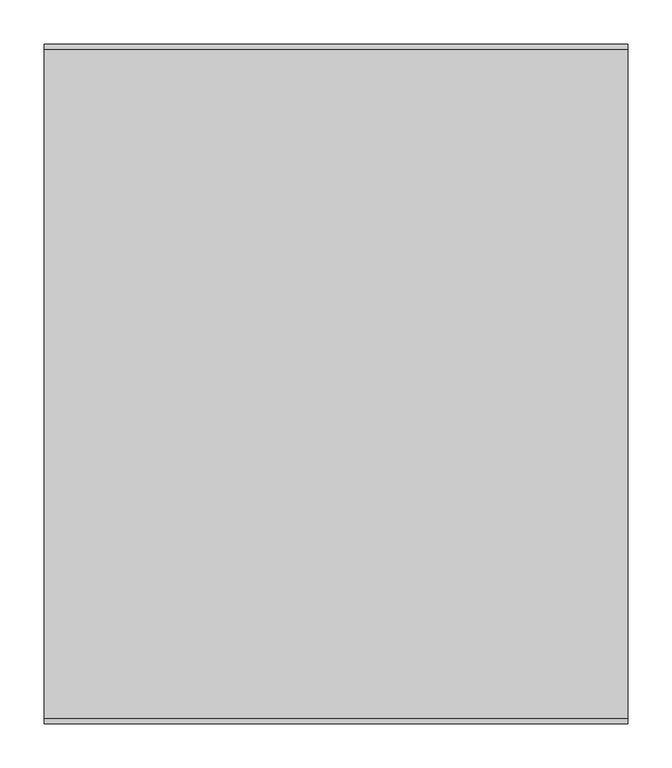
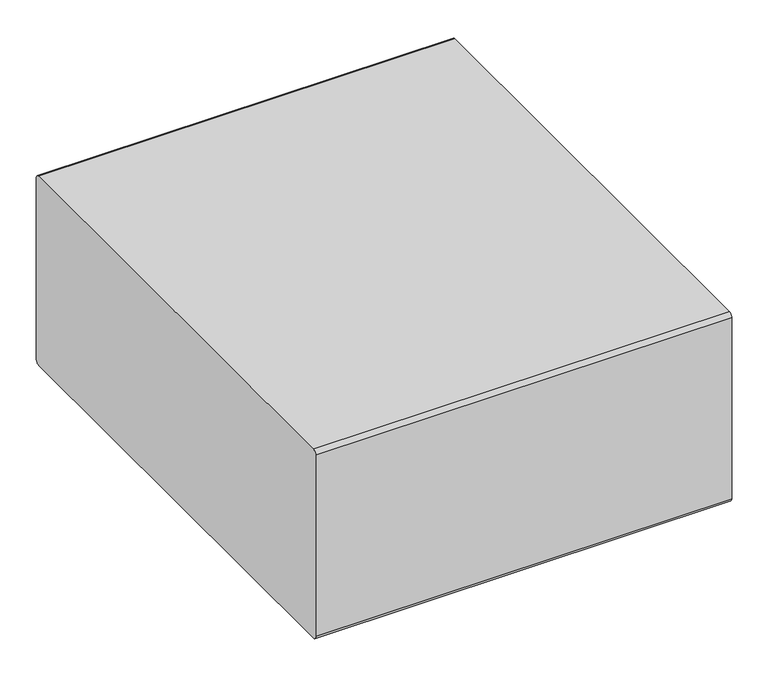
"""IFC4 building model written with IfcOpenShell, lengths in millimetres: furniture geometry."""

from ifc_helpers import new_model, si_unit, point, frame, frame_2d, origin, place, context, project, spatial, polyline, circle_curve, trimmed, segment, composite_curve, outline, extrude, faceted_brep, source, transform, mapped, element, save


def furniture_84e46e56(model_context):
    return source(origin(), model_context, "Body", "SolidModel", [
        faceted_brep([(769.087495, 327.8342493, 25.4000008), (765.912489, 324.6592432, 25.4000008), (765.912489, 280.2092311, 25.4000008), (769.087495, 277.0342432, 25.4000008), (813.537489, 277.0342432, 25.4000008), (816.712495, 280.2092311, 25.4000008), (816.712495, 324.6592432, 25.4000008), (813.537489, 327.8342493, 25.4000008), (816.712495, 331.0092372, 0.0), (819.8874829, 327.8342493, 0.0), (819.8874829, 277.0342432, 0.0), (816.712495, 273.8592553, 0.0), (765.912489, 273.8592553, 0.0), (762.7374829, 277.0342432, 0.0), (762.7374829, 327.8342493, 0.0), (765.912489, 331.0092372, 0.0), (769.087495, 327.8342493, 3.1750001), (765.912489, 324.6592432, 3.1750001), (765.912489, 280.2092311, 3.1750001), (769.087495, 277.0342432, 3.1750001), (813.537489, 277.0342432, 3.1750001), (816.712495, 280.2092311, 3.1750001), (816.712495, 324.6592432, 3.1750001), (813.537489, 327.8342493, 3.1750001), (816.712495, 331.0092372, 3.1750001), (765.912489, 331.0092372, 3.1750001), (762.7374829, 327.8342493, 3.1750001), (762.7374829, 277.0342432, 3.1750001), (765.912489, 273.8592553, 3.1750001), (816.712495, 273.8592553, 3.1750001), (819.8874829, 277.0342432, 3.1750001), (819.8874829, 327.8342493, 3.1750001)], [[[0, 1, 2, 3, 4, 5, 6, 7]], [[8, 9, 10, 11, 12, 13, 14, 15]], [[1, 0, 16, 17]], [[2, 1, 17, 18]], [[3, 2, 18, 19]], [[4, 3, 19, 20]], [[5, 4, 20, 21]], [[6, 5, 21, 22]], [[7, 6, 22, 23]], [[0, 7, 23, 16]], [[24, 25, 26, 27, 28, 29, 30, 31], [17, 16, 23, 22, 21, 20, 19, 18]], [[25, 24, 8, 15]], [[26, 25, 15, 14]], [[27, 26, 14, 13]], [[28, 27, 13, 12]], [[29, 28, 12, 11]], [[30, 29, 11, 10]], [[31, 30, 10, 9]], [[24, 31, 9, 8]]]),
        faceted_brep([(261.087489, 327.8342493, 25.4000008), (257.9124829, 324.6592432, 25.4000008), (257.9124829, 280.2092311, 25.4000008), (261.087489, 277.0342432, 25.4000008), (305.5374829, 277.0342432, 25.4000008), (308.712489, 280.2092311, 25.4000008), (308.712489, 324.6592432, 25.4000008), (305.5374829, 327.8342493, 25.4000008), (308.712489, 331.0092372, 0.0), (311.8874769, 327.8342493, 0.0), (311.8874769, 277.0342432, 0.0), (308.712489, 273.8592553, 0.0), (257.9124829, 273.8592553, 0.0), (254.7374769, 277.0342432, 0.0), (254.7374769, 327.8342493, 0.0), (257.9124829, 331.0092372, 0.0), (261.087489, 327.8342493, 3.1750001), (257.9124829, 324.6592432, 3.1750001), (257.9124829, 280.2092311, 3.1750001), (261.087489, 277.0342432, 3.1750001), (305.5374829, 277.0342432, 3.1750001), (308.712489, 280.2092311, 3.1750001), (308.712489, 324.6592432, 3.1750001), (305.5374829, 327.8342493, 3.1750001), (308.712489, 331.0092372, 3.1750001), (257.9124829, 331.0092372, 3.1750001), (254.7374769, 327.8342493, 3.1750001), (254.7374769, 277.0342432, 3.1750001), (257.9124829, 273.8592553, 3.1750001), (308.712489, 273.8592553, 3.1750001), (311.8874769, 277.0342432, 3.1750001), (311.8874769, 327.8342493, 3.1750001)], [[[0, 1, 2, 3, 4, 5, 6, 7]], [[8, 9, 10, 11, 12, 13, 14, 15]], [[1, 0, 16, 17]], [[2, 1, 17, 18]], [[3, 2, 18, 19]], [[4, 3, 19, 20]], [[5, 4, 20, 21]], [[6, 5, 21, 22]], [[7, 6, 22, 23]], [[0, 7, 23, 16]], [[24, 25, 26, 27, 28, 29, 30, 31], [17, 16, 23, 22, 21, 20, 19, 18]], [[25, 24, 8, 15]], [[26, 25, 15, 14]], [[27, 26, 14, 13]], [[28, 27, 13, 12]], [[29, 28, 12, 11]], [[30, 29, 11, 10]], [[31, 30, 10, 9]], [[24, 31, 9, 8]]]),
        faceted_brep([(308.712489, -284.9407568, 3.1750001), (257.9124829, -284.9407568, 3.1750001), (254.7374769, -288.1157447, 3.1750001), (254.7374769, -338.9157507, 3.1750001), (257.9124829, -342.0907386, 3.1750001), (308.712489, -342.0907386, 3.1750001), (311.8874769, -338.9157507, 3.1750001), (311.8874769, -288.1157447, 3.1750001), (257.9124829, -291.2907507, 3.1750001), (261.087489, -288.1157447, 3.1750001), (305.5374829, -288.1157447, 3.1750001), (308.712489, -291.2907507, 3.1750001), (308.712489, -335.7407628, 3.1750001), (305.5374829, -338.9157507, 3.1750001), (261.087489, -338.9157507, 3.1750001), (257.9124829, -335.7407628, 3.1750001), (308.712489, -284.9407568, 0.0), (311.8874769, -288.1157447, 0.0), (311.8874769, -338.9157507, 0.0), (308.712489, -342.0907386, 0.0), (257.9124829, -342.0907386, 0.0), (254.7374769, -338.9157507, 0.0), (254.7374769, -288.1157447, 0.0), (257.9124829, -284.9407568, 0.0), (261.087489, -288.1157447, 25.4000008), (257.9124829, -291.2907507, 25.4000008), (257.9124829, -335.7407628, 25.4000008), (261.087489, -338.9157507, 25.4000008), (305.5374829, -338.9157507, 25.4000008), (308.712489, -335.7407628, 25.4000008), (308.712489, -291.2907507, 25.4000008), (305.5374829, -288.1157447, 25.4000008)], [[[0, 1, 2, 3, 4, 5, 6, 7], [8, 9, 10, 11, 12, 13, 14, 15]], [[16, 17, 18, 19, 20, 21, 22, 23]], [[1, 0, 16, 23]], [[2, 1, 23, 22]], [[3, 2, 22, 21]], [[4, 3, 21, 20]], [[5, 4, 20, 19]], [[6, 5, 19, 18]], [[7, 6, 18, 17]], [[0, 7, 17, 16]], [[24, 25, 26, 27, 28, 29, 30, 31]], [[25, 24, 9, 8]], [[26, 25, 8, 15]], [[27, 26, 15, 14]], [[28, 27, 14, 13]], [[29, 28, 13, 12]], [[30, 29, 12, 11]], [[31, 30, 11, 10]], [[24, 31, 10, 9]]]),
        faceted_brep([(769.087495, -288.1157447, 25.4000008), (765.912489, -291.2907507, 25.4000008), (765.912489, -335.7407628, 25.4000008), (769.087495, -338.9157507, 25.4000008), (813.537489, -338.9157507, 25.4000008), (816.712495, -335.7407628, 25.4000008), (816.712495, -291.2907507, 25.4000008), (813.537489, -288.1157447, 25.4000008), (816.712495, -284.9407568, 0.0), (819.8874829, -288.1157447, 0.0), (819.8874829, -338.9157507, 0.0), (816.712495, -342.0907386, 0.0), (765.912489, -342.0907386, 0.0), (762.7374829, -338.9157507, 0.0), (762.7374829, -288.1157447, 0.0), (765.912489, -284.9407568, 0.0), (769.087495, -288.1157447, 3.1750001), (765.912489, -291.2907507, 3.1750001), (765.912489, -335.7407628, 3.1750001), (769.087495, -338.9157507, 3.1750001), (813.537489, -338.9157507, 3.1750001), (816.712495, -335.7407628, 3.1750001), (816.712495, -291.2907507, 3.1750001), (813.537489, -288.1157447, 3.1750001), (816.712495, -284.9407568, 3.1750001), (765.912489, -284.9407568, 3.1750001), (762.7374829, -288.1157447, 3.1750001), (762.7374829, -338.9157507, 3.1750001), (765.912489, -342.0907386, 3.1750001), (816.712495, -342.0907386, 3.1750001), (819.8874829, -338.9157507, 3.1750001), (819.8874829, -288.1157447, 3.1750001)], [[[0, 1, 2, 3, 4, 5, 6, 7]], [[8, 9, 10, 11, 12, 13, 14, 15]], [[1, 0, 16, 17]], [[2, 1, 17, 18]], [[3, 2, 18, 19]], [[4, 3, 19, 20]], [[5, 4, 20, 21]], [[6, 5, 21, 22]], [[7, 6, 22, 23]], [[0, 7, 23, 16]], [[24, 25, 26, 27, 28, 29, 30, 31], [17, 16, 23, 22, 21, 20, 19, 18]], [[25, 24, 8, 15]], [[26, 25, 15, 14]], [[27, 26, 14, 13]], [[28, 27, 13, 12]], [[29, 28, 12, 11]], [[30, 29, 11, 10]], [[31, 30, 10, 9]], [[24, 31, 9, 8]]]),
        extrude(outline(composite_curve([segment(trimmed(circle_curve(frame_2d((373.7950592, 336.55)), 6.35), [point((373.7950592, 342.9))], [point((380.1450592, 336.55))], False, "CARTESIAN"), True, "CONTINUOUS"), segment(polyline([(380.1450592, 336.55), (380.1450592, 31.7500008)]), True, "CONTINUOUS"), segment(trimmed(circle_curve(frame_2d((373.7950592, 31.7500008)), 6.35), [point((380.1450592, 31.7500008))], [point((373.7950592, 25.4000008))], False, "CARTESIAN"), True, "CONTINUOUS"), segment(polyline([(373.7950592, 25.4000008), (-381.8549408, 25.4000008)]), True, "CONTINUOUS"), segment(trimmed(circle_curve(frame_2d((-381.8549408, 31.7500008)), 6.35), [point((-381.8549408, 25.4000008))], [point((-388.2049408, 31.7500008))], False, "CARTESIAN"), True, "CONTINUOUS"), segment(polyline([(-388.2049408, 31.7500008), (-388.2049408, 336.55)]), True, "CONTINUOUS"), segment(trimmed(circle_curve(frame_2d((-381.8549408, 336.55)), 6.35), [point((-388.2049408, 336.55))], [point((-381.8549408, 342.9))], False, "CARTESIAN"), True, "CONTINUOUS"), segment(polyline([(-381.8549408, 342.9), (373.7950592, 342.9)]), True, "CONTINUOUS")], self_intersect=False)), frame((206.375, 0.0, 0.0), z_axis=(1.0, 0.0, 0.0), x_axis=(0.0, 1.0, 0.0)), (0.0, 0.0, 1.0), 660.4),
    ])


if __name__ == "__main__":
    model = new_model("IFC4")
    model_context = context("Model", 3, world=origin())
    ifc_project = project(units=[si_unit("LENGTHUNIT", "METRE", prefix="MILLI")], contexts=[model_context])
    site = spatial("IfcSite", under=ifc_project)
    building = spatial("IfcBuilding", under=site)
    placement = place(None, origin())
    furniture_shape = furniture_84e46e56(model_context)
    element("IfcFurniture", 1, at=placement, inside=building, context=model_context, shape_type="MappedRepresentation", body=[
        mapped(furniture_shape, transform((0.0, 0.0, 0.0), x_axis=(1.0, 0.0, 0.0), y_axis=(0.0, 1.0, 0.0), z_axis=(0.0, 0.0, 1.0))),
    ])
    save(model, "model.ifc")
